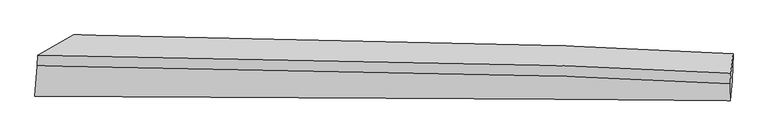
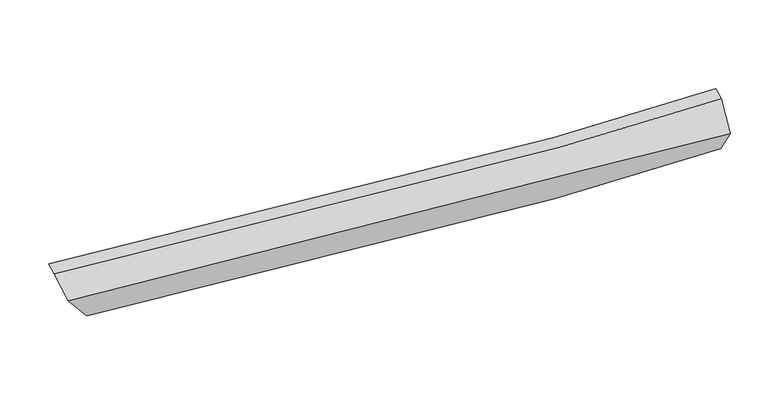
"""IFC4 building model written with IfcOpenShell, lengths in millimetres: proxy geometry."""

from ifc_helpers import new_model, si_unit, frame, origin, place, context, project, spatial, source, transform, mapped, element, save
from ifc_brep_helpers import plane_surface, spline_curve, spline_surface, advanced_brep


def generic_models_89e1e4d5(model_context):
    return source(origin(), model_context, "Body", "AdvancedBrep", [
        advanced_brep(
        [(-5168.6110906, -1977.7826744, 3757.5334125), (-5199.8145362, -2390.6532842, 3606.811236), (4267.4354291, -2454.7662965, 2881.3413203), (4271.0141579, -2220.1585523, 3267.6196788), (-4695.9909116, -1968.9666868, 2950.3341685), (4293.0186891, -2175.4258391, 2472.0551215), (-4667.5673387, -1555.503556, 3106.1230159), (4307.5990962, -1815.0768601, 2695.063686), (-5161.9095832, -1830.2294317, 3819.0405697), (4277.5062433, -2077.2163484, 3327.2047374)],
        [
            (0, 1),
            (1, 2, spline_curve(3, [(-5199.8145362, -2390.6532842, 3606.811236), (-2748.302002394, -2392.780396866, 3411.832864987), (-354.145288384, -2405.414127091, 3226.609096891), (2750.440628657, -2436.157525704, 2993.487352961), (3512.033903504, -2444.894799158, 2936.887815883), (4267.4354291, -2454.7662965, 2881.3413203)], [4, 2, 4], [0.0, 23.402175569919265, 31.091251682763456])),
            (2, 3),
            (3, 0, spline_curve(3, [(4271.0141579, -2220.1585523, 3267.6196788), (3520.677587185, -2181.894307403, 3249.216932628), (2763.45985166, -2148.151781316, 3245.353119849), (-326.221000161, -2029.995654019, 3288.51862285), (-2715.54501351, -1982.946220126, 3455.687014442), (-5168.6110906, -1977.7826744, 3757.5334125)], [4, 2, 4], [0.0, 7.689076112844191, 31.091251682763456])),
            (1, 4),
            (4, 5, spline_curve(3, [(-4695.9909116, -1968.9666868, 2950.3341685), (-2571.133007424, -1952.834597172, 2661.612739241), (-348.075423128, -1987.834636295, 2499.887441887), (2735.859812828, -2102.266602467, 2453.747574085), (3509.138762082, -2136.086280257, 2456.046523192), (4293.0186891, -2175.4258391, 2472.0551215)], [4, 2, 4], [0.0, 22.84568259797556, 30.35191601720976])),
            (5, 2),
            (4, 6),
            (6, 7, spline_curve(3, [(-4667.5673387, -1555.503556, 3106.1230159), (-2545.792514132, -1555.162209628, 2819.567540456), (-326.111665479, -1604.097963721, 2671.072276625), (2752.947228218, -1734.579873774, 2657.20865915), (3524.988523803, -1772.168554608, 2668.684146002), (4307.5990962, -1815.0768601, 2695.063686)], [4, 2, 4], [0.0, 22.239094036154675, 29.54602523209402])),
            (7, 5),
            (6, 8),
            (8, 9, spline_curve(3, [(-5161.9095832, -1830.2294317, 3819.0405697), (-2708.965857052, -1838.086889479, 3516.071221201), (-319.711650686, -1886.673336111, 3348.262130647), (2769.9462646, -2005.334468738, 3304.88611786), (3527.164000466, -2039.076994446, 3308.749930707), (4277.5062433, -2077.2163484, 3327.2047374)], [4, 2, 4], [0.0, 22.795681168782767, 30.28548599599715])),
            (9, 7),
            (8, 0),
            (3, 9),
        ],
        [
            spline_surface(3, 3, [[(-5168.6110906, -1977.7826744, 3757.5334125), (-2715.545013631, -1982.946220285, 3455.687014101), (-326.2209998, -2029.995653675, 3288.518623204), (2763.459851541, -2148.151781429, 3245.353119733), (3520.677587191, -2181.894307352, 3249.216932725), (4271.0141579, -2220.1585523, 3267.6196788)], [(-5179.012239129, -2115.406211013, 3707.292686978), (-2726.464009754, -2119.557612471, 3441.068964273), (-335.529095977, -2155.135144922, 3267.882114316), (2759.120110588, -2244.153696149, 3161.397864179), (3517.796359259, -2269.561137941, 3145.107227122), (4269.821248275, -2298.361133707, 3138.860225955)], [(-5189.413387671, -2253.029747587, 3657.051961522), (-2737.383005891, -2256.169004616, 3426.450914511), (-344.837192185, -2280.274636176, 3247.245605433), (2754.780369603, -2340.155610876, 3077.442608629), (3514.915131403, -2357.22796851, 3040.997521556), (4268.628338725, -2376.563715093, 3010.100773145)], [(-5199.8145362, -2390.6532842, 3606.811236), (-2748.302002014, -2392.780396801, 3411.832864683), (-354.145288363, -2405.414127422, 3226.609096545), (2750.44062865, -2436.157525595, 2993.487353074), (3512.033903471, -2444.8947991, 2936.887815954), (4267.4354291, -2454.7662965, 2881.3413203)]], [4, 4], [4, 2, 4], [0.0, 1.2481508942052484], [0.0, 23.402175569919265, 31.091251682763456]),
            spline_surface(3, 3, [[(-5199.8145362, -2390.6532842, 3606.811236), (-2748.302002014, -2392.780396801, 3411.832864683), (-354.145288363, -2405.414127422, 3226.609096545), (2750.44062865, -2436.157525595, 2993.487353074), (3512.033903471, -2444.8947991, 2936.887815954), (4267.4354291, -2454.7662965, 2881.3413203)], [(-5031.873327994, -2250.091085071, 3387.985546859), (-2689.245670567, -2246.131796832, 3161.759489687), (-352.122000008, -2266.220963822, 2984.368544914), (2745.580356722, -2324.860551201, 2813.574093469), (3511.068856348, -2341.958626112, 2776.607385048), (4275.963182445, -2361.652810702, 2744.912587357)], [(-4863.932119806, -2109.528885929, 3169.159857641), (-2630.189339139, -2099.483196849, 2911.686114611), (-350.09871164, -2127.027800183, 2742.127993212), (2740.720084807, -2213.563576767, 2633.660833791), (3510.103809191, -2239.02245312, 2616.32695417), (4284.490935755, -2268.539324898, 2608.483854443)], [(-4695.9909116, -1968.9666868, 2950.3341685), (-2571.133007692, -1952.834596879, 2661.612739615), (-348.075423286, -1987.834636583, 2499.887441581), (2735.85981288, -2102.266602372, 2453.747574186), (3509.138762069, -2136.086280133, 2456.046523265), (4293.0186891, -2175.4258391, 2472.0551215)]], [4, 4], [4, 2, 4], [0.0, 2.6254347957737534], [0.0, 22.84568259797556, 30.35191601720976]),
            spline_surface(3, 3, [[(-4695.9909116, -1968.9666868, 2950.3341685), (-2571.133007692, -1952.834596879, 2661.612739615), (-348.075423286, -1987.834636583, 2499.887441581), (2735.85981288, -2102.266602372, 2453.747574186), (3509.138762069, -2136.086280133, 2456.046523265), (4293.0186891, -2175.4258391, 2472.0551215)], [(-4686.516387301, -1831.145643175, 3002.263784296), (-2562.68617663, -1820.277134398, 2714.264339906), (-340.754170579, -1859.922412198, 2556.949053357), (2741.555617958, -1979.704359535, 2521.567935786), (3514.422015972, -2014.780371632, 2526.925730837), (4297.878824809, -2055.309512774, 2546.391309664)], [(-4677.041862999, -1693.324599625, 3054.193400104), (-2554.239345565, -1687.719671992, 2766.915940209), (-333.432917872, -1732.010187821, 2614.010665186), (2747.251423036, -1857.142116705, 2589.388297439), (3519.705269849, -1893.47446311, 2597.804938416), (4302.738960491, -1935.193186426, 2620.727497836)], [(-4667.5673387, -1555.503556, 3106.1230159), (-2545.792514502, -1555.16220951, 2819.567540501), (-326.111665165, -1604.097963436, 2671.072276962), (2752.947228115, -1734.579873868, 2657.20865904), (3524.988523753, -1772.168554608, 2668.684145988), (4307.5990962, -1815.0768601, 2695.063686)]], [4, 4], [4, 2, 4], [0.0, 1.3873706845813194], [0.0, 22.239094036154675, 29.54602523209402]),
            spline_surface(3, 3, [[(-4667.5673387, -1555.503556, 3106.1230159), (-2545.792514502, -1555.16220951, 2819.567540501), (-326.111665165, -1604.097963436, 2671.072276962), (2752.947228115, -1734.579873868, 2657.20865904), (3524.988523753, -1772.168554608, 2668.684145988), (4307.5990962, -1815.0768601, 2695.063686)], [(-4832.348086864, -1647.078847927, 3343.762200493), (-2600.183628711, -1649.470436305, 3051.735434164), (-323.978326995, -1698.289754352, 2896.802228316), (2758.613573611, -1824.831405469, 2873.101145273), (3525.713682597, -1861.138034597, 2882.039407598), (4297.568145214, -1902.456689548, 2905.777369796)], [(-4997.128835036, -1738.654139773, 3581.401385107), (-2654.574742927, -1743.778663018, 3283.903327849), (-321.844988837, -1792.481545299, 3122.532179667), (2764.279919098, -1915.082937103, 3088.993631503), (3526.438841499, -1950.107514539, 3095.394669219), (4287.537194286, -1989.836518952, 3116.491053604)], [(-5161.9095832, -1830.2294317, 3819.0405697), (-2708.965857136, -1838.086889812, 3516.071221512), (-319.711650667, -1886.673336214, 3348.262131022), (2769.946264594, -2005.334468705, 3304.886117737), (3527.164000343, -2039.076994527, 3308.749930829), (4277.5062433, -2077.2163484, 3327.2047374)]], [4, 4], [4, 2, 4], [0.0, 2.4065937297169984], [0.0, 22.795681168782767, 30.28548599599715]),
            spline_surface(3, 3, [[(-5161.9095832, -1830.2294317, 3819.0405697), (-2708.965857136, -1838.086889812, 3516.071221512), (-319.711650667, -1886.673336214, 3348.262131022), (2769.946264594, -2005.334468705, 3304.886117737), (3527.164000343, -2039.076994527, 3308.749930829), (4277.5062433, -2077.2163484, 3327.2047374)], [(-5164.143419012, -1879.413845914, 3798.538183973), (-2711.158909313, -1886.373333284, 3495.943152382), (-321.881433721, -1934.447442037, 3328.34762841), (2767.7841269, -2052.940239615, 3285.041785063), (3525.00186265, -2086.682765438, 3288.905598155), (4275.342214857, -2124.863749669, 3307.343051227)], [(-5166.377254788, -1928.598260186, 3778.035798227), (-2713.351961454, -1934.659776814, 3475.815083231), (-324.051216746, -1982.221547852, 3308.433125816), (2765.621989235, -2100.546010518, 3265.197452407), (3522.839724884, -2134.288536441, 3269.061265399), (4273.178186343, -2172.511151031, 3287.481364973)], [(-5168.6110906, -1977.7826744, 3757.5334125), (-2715.545013631, -1982.946220285, 3455.687014101), (-326.2209998, -2029.995653675, 3288.518623204), (2763.459851541, -2148.151781429, 3245.353119733), (3520.677587191, -2181.894307352, 3249.216932725), (4271.0141579, -2220.1585523, 3267.6196788)]], [4, 4], [4, 2, 4], [0.0, 0.5112837826081866], [0.0, 23.371180402243873, 31.050072666895215]),
            plane_surface(frame((4283.3147231, -2148.5287793, 2928.6569088), z_axis=(0.998156173825951, -0.055540363077188654, 0.02448511226014823), x_axis=(-0.04393117220001033, -0.3826853844457945, 0.9228336516624801))),
            plane_surface(frame((-4978.778692, -1944.6271266, 3447.9684805), z_axis=(-0.8385364314455891, 0.2416429149750777, -0.4883291459465065), x_axis=(0.041884421474735214, 0.9222077665042883, 0.3844197323719205))),
        ],
        [
            (0, [[1, 2, 3, 4]]),
            (1, [[5, 6, 7, -2]]),
            (2, [[8, 9, 10, -6]]),
            (3, [[11, 12, 13, -9]]),
            (4, [[14, -4, 15, -12]]),
            (5, [[-13, -15, -3, -7, -10]]),
            (6, [[-14, -11, -8, -5, -1]]),
        ],
    ),
    ])


if __name__ == "__main__":
    model = new_model("IFC4")
    model_context = context("Model", 3, world=origin())
    ifc_project = project(units=[si_unit("LENGTHUNIT", "METRE", prefix="MILLI")], contexts=[model_context])
    site = spatial("IfcSite", under=ifc_project)
    building = spatial("IfcBuilding", under=site)
    placement = place(None, origin())
    generic_models_shape = generic_models_89e1e4d5(model_context)
    element("IfcBuildingElementProxy", 1, Name="Generic Models", at=placement, inside=building, context=model_context, shape_type="MappedRepresentation", body=[
        mapped(generic_models_shape, transform((0.0, 0.0, 0.0), x_axis=(1.0, 0.0, 0.0), y_axis=(0.0, 1.0, 0.0), z_axis=(0.0, 0.0, 1.0))),
    ])
    save(model, "model.ifc")
